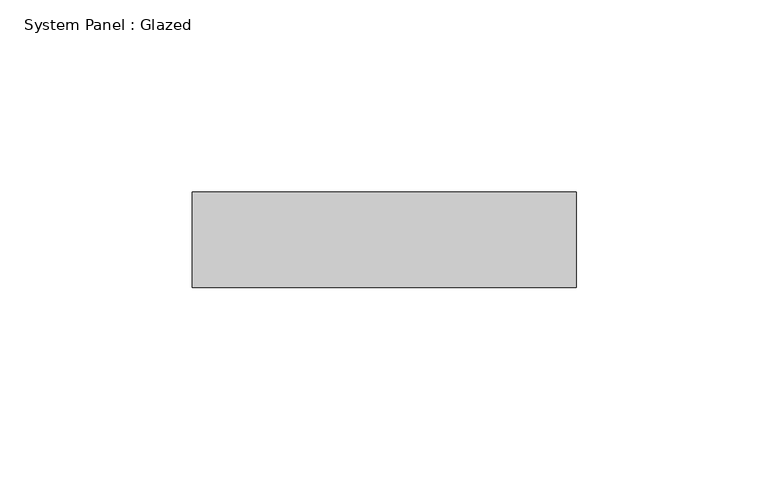
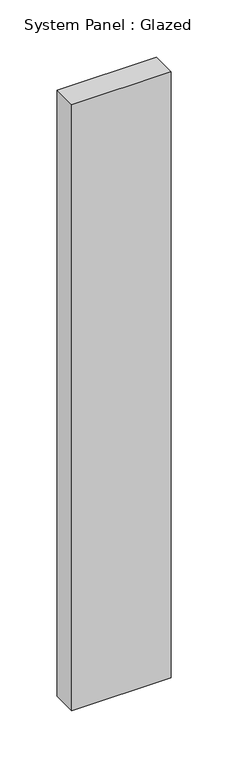
"""IFC4 building model written with IfcOpenShell, lengths in millimetres: plate geometry, System Panel : Glazed."""

from ifc_helpers import new_model, si_unit, origin, origin_with_axes, place, context, project, spatial, polyline, outline, extrude, source, transform, mapped, element, save


def system_panel_glazed_c231c895(model_context):
    return source(origin(), model_context, "Body", "SweptSolid", [
        extrude(outline(polyline([(50.0, -49.5), (-50.0, -49.5), (-50.0, -24.5), (50.0, -24.5), (50.0, -49.5)])), origin_with_axes(), (0.0, 0.0, 1.0), 645.0),
    ])


if __name__ == "__main__":
    model = new_model("IFC4")
    model_context = context("Model", 3, world=origin())
    ifc_project = project(units=[si_unit("LENGTHUNIT", "METRE", prefix="MILLI")], contexts=[model_context])
    site = spatial("IfcSite", under=ifc_project)
    building = spatial("IfcBuilding", under=site)
    placement = place(None, origin())
    system_panel_glazed_shape = system_panel_glazed_c231c895(model_context)
    element("IfcPlate", 1, ObjectType="System Panel : Glazed", at=placement, inside=building, context=model_context, shape_type="MappedRepresentation", body=[
        mapped(system_panel_glazed_shape, transform((0.0, 0.0, 0.0), x_axis=(1.0, 0.0, 0.0), y_axis=(0.0, 1.0, 0.0), z_axis=(0.0, 0.0, 1.0))),
    ])
    save(model, "model.ifc")
